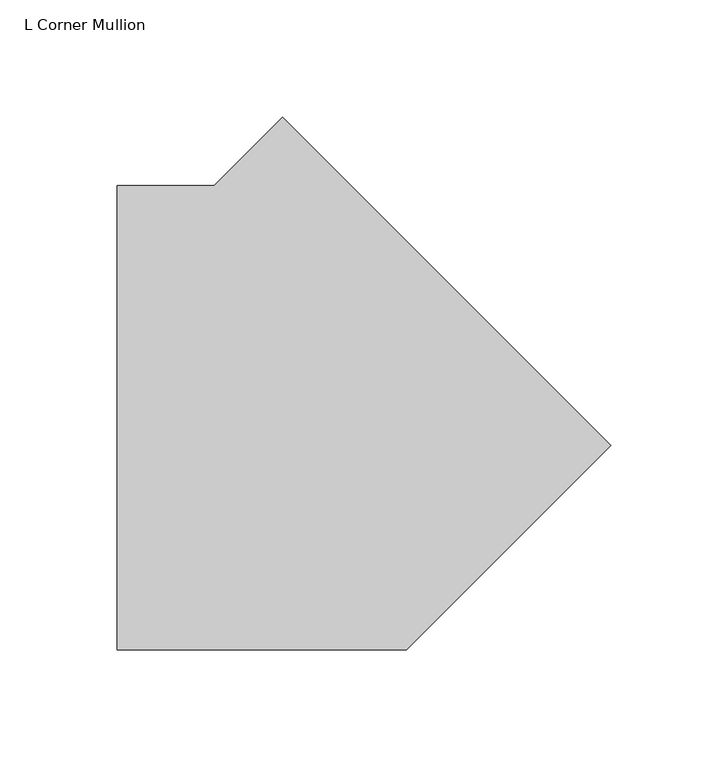
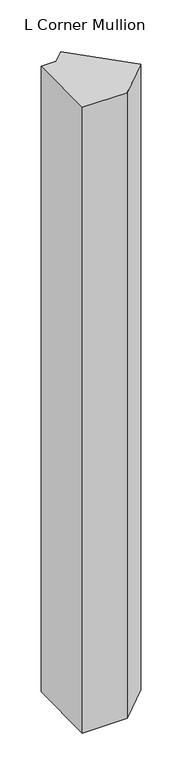
"""IFC4 building model written with IfcOpenShell, lengths in millimetres: member geometry, L Corner Mullion."""

import ifcopenshell
import ifcopenshell.guid

model = None  # the IFC model being written
_history = None  # IfcOwnerHistory: only IFC2X3 demands one
_inside = {}  # id of a spatial element -> (the spatial element, [elements in it])
_under = {}  # id of a project, library or spatial element -> (it, [spatial elements below it])
_declared = {}  # id of a project -> (the project, [libraries it declares])
_typed = {}  # id of a type object -> (the type object, [elements of that type])
_made_of = {}  # id of a material, layer set ... -> (it, [elements and type objects made of it])


def new_model(schema):
    """Start an empty IFC model of exactly this schema.

    Asked for "IFC4X3", IfcOpenShell would pick the latest addendum, in which some entities
    have other attributes; the version numbers below select the first issue.
    IFC2X3 requires an IfcOwnerHistory on every rooted entity: one is made here for all.
    """
    global model, _history
    if schema == "IFC4X3":
        model = ifcopenshell.file(schema_version=(4, 3, 0, 0))
    else:
        model = ifcopenshell.file(schema=schema)
    _inside.clear()
    _under.clear()
    _declared.clear()
    _typed.clear()
    _made_of.clear()
    _history = None
    if model.schema == "IFC2X3":
        org = make("IfcOrganization", Name="unknown")
        user = make(
            "IfcPersonAndOrganization",
            ThePerson=make("IfcPerson", FamilyName="unknown"),
            TheOrganization=org,
        )
        app = make(
            "IfcApplication",
            ApplicationDeveloper=org,
            Version="unknown",
            ApplicationFullName="unknown",
            ApplicationIdentifier="unknown",
        )
        _history = make(
            "IfcOwnerHistory",
            OwningUser=user,
            OwningApplication=app,
            ChangeAction="ADDED",
            CreationDate=0,
        )
    return model


def make(cls, **values):
    """One entity of the class cls with the attributes given. An attribute that is None is left unset."""
    return model.create_entity(
        cls, **{name: value for name, value in values.items() if value is not None}
    )


def rooted(cls, **values):
    """An entity with a GlobalId (a new one), such as an element, a storey or a relation."""
    return make(cls, GlobalId=ifcopenshell.guid.new(), OwnerHistory=_history, **values)


def si_unit(unit_type, name, prefix=None):
    """IfcSIUnit, for example si_unit("LENGTHUNIT", "METRE", prefix="MILLI")."""
    return make("IfcSIUnit", UnitType=unit_type, Prefix=prefix, Name=name)


def assignment(units):
    """IfcUnitAssignment: the units of a project."""
    return None if units is None else make("IfcUnitAssignment", Units=units)


def point(xyz):
    """IfcCartesianPoint."""
    return None if xyz is None else make("IfcCartesianPoint", Coordinates=xyz)


def direction(xyz):
    """IfcDirection."""
    return None if xyz is None else make("IfcDirection", DirectionRatios=xyz)


def frame(location, z_axis=None, x_axis=None):
    """IfcAxis2Placement3D, a coordinate frame: its origin and axes. An axis left out is left unset."""
    return make(
        "IfcAxis2Placement3D",
        Location=point(location),
        Axis=direction(z_axis),
        RefDirection=direction(x_axis),
    )


def origin():
    """The frame at (0, 0, 0) with its axes left unset."""
    return frame((0.0, 0.0, 0.0))


def place(relative_to, where):
    """IfcLocalPlacement: puts the frame where relative to a parent placement (None: the world)."""
    return make(
        "IfcLocalPlacement", PlacementRelTo=relative_to, RelativePlacement=where
    )


def context(
    kind, dimensions, precision=None, world=None, true_north=None, identifier=None
):
    """IfcGeometricRepresentationContext, for example the 3D "Model" context."""
    return make(
        "IfcGeometricRepresentationContext",
        ContextIdentifier=identifier,
        ContextType=kind,
        CoordinateSpaceDimension=dimensions,
        Precision=precision,
        WorldCoordinateSystem=world,
        TrueNorth=true_north,
    )


def project(units=None, contexts=None):
    """IfcProject with its units and contexts."""
    return rooted(
        "IfcProject",
        Name="project",
        RepresentationContexts=contexts,
        UnitsInContext=assignment(units),
    )


def spatial(cls, under=None, at=None, **own):
    """A site, building, storey or space (cls), placed at a placement, below another one or the project."""
    s = rooted(cls, ObjectPlacement=at, **own)
    if under is not None:
        _under.setdefault(under.id(), (under, []))[1].append(s)
    return s


def polyline(points):
    """IfcPolyline through the points."""
    return make("IfcPolyline", Points=[point(p) for p in points])


def outline(outer, holes=None, kind="AREA"):
    """IfcArbitraryClosedProfileDef: a profile drawn as a closed curve; with holes, ...WithVoids."""
    if holes is None:
        return make("IfcArbitraryClosedProfileDef", ProfileType=kind, OuterCurve=outer)
    return make(
        "IfcArbitraryProfileDefWithVoids",
        ProfileType=kind,
        OuterCurve=outer,
        InnerCurves=holes,
    )


def extrude(swept, where, along, depth):
    """IfcExtrudedAreaSolid: the profile swept, set in the frame where, extruded along a direction by depth."""
    return make(
        "IfcExtrudedAreaSolid",
        SweptArea=swept,
        Position=where,
        ExtrudedDirection=direction(along),
        Depth=depth,
    )


def shape(context_of_items, identifier, shape_type, items):
    """IfcShapeRepresentation: the items that make up one representation, for example the "Body"."""
    return make(
        "IfcShapeRepresentation",
        ContextOfItems=context_of_items,
        RepresentationIdentifier=identifier,
        RepresentationType=shape_type,
        Items=items,
    )


def source(mapping_origin, context_of_items, identifier, shape_type, items):
    """IfcRepresentationMap: a shape defined once, which mapped items show again and again."""
    return make(
        "IfcRepresentationMap",
        MappingOrigin=mapping_origin,
        MappedRepresentation=shape(context_of_items, identifier, shape_type, items),
    )


def transform(
    local_origin,
    x_axis=None,
    y_axis=None,
    z_axis=None,
    scale=None,
    scale2=None,
    scale3=None,
    uniform=True,
):
    """IfcCartesianTransformationOperator3D, or its non-uniform kind. x_axis, y_axis, z_axis: its Axis1, 2, 3."""
    if uniform:
        return make(
            "IfcCartesianTransformationOperator3D",
            Axis1=direction(x_axis),
            Axis2=direction(y_axis),
            LocalOrigin=point(local_origin),
            Scale=scale,
            Axis3=direction(z_axis),
        )
    return make(
        "IfcCartesianTransformationOperator3DnonUniform",
        Axis1=direction(x_axis),
        Axis2=direction(y_axis),
        LocalOrigin=point(local_origin),
        Scale=scale,
        Axis3=direction(z_axis),
        Scale2=scale2,
        Scale3=scale3,
    )


def mapped(mapping_source, mapping_target):
    """IfcMappedItem: shows the shape of a source again, moved by a transform."""
    return make(
        "IfcMappedItem", MappingSource=mapping_source, MappingTarget=mapping_target
    )


def made_of(thing, what):
    """Note that an element or type object is made of a material, layer set ...; save() writes the relation."""
    if what is not None:
        _made_of.setdefault(what.id(), (what, []))[1].append(thing)
    return thing


def element(
    cls,
    number,
    at=None,
    inside=None,
    cuts=None,
    type_object=None,
    material=None,
    context=None,
    identifier="Body",
    shape_type=None,
    held_by="IfcProductDefinitionShape",
    body=None,
    shapes=None,
    **own,
):
    """One element of the class cls, such as IfcWall. Its Tag is "e" and its number.

    at: its placement. inside: the storey or other place that contains it. cuts: it is an
    opening in that element (IfcRelVoidsElement). A single representation is given by context,
    identifier, shape_type and body (its items); several are given by shapes. held_by: the class
    of the entity that holds the representations. save() writes the other relations.
    """
    e = rooted(cls, Tag="e%d" % number, ObjectPlacement=at, **own)
    if body is not None:
        shapes = [shape(context, identifier, shape_type, body)]
    if shapes is not None:
        e.Representation = make(held_by, Representations=shapes)
    if inside is not None:
        _inside.setdefault(inside.id(), (inside, []))[1].append(e)
    if cuts is not None:
        rooted(
            "IfcRelVoidsElement", RelatingBuildingElement=cuts, RelatedOpeningElement=e
        )
    if type_object is not None:
        _typed.setdefault(type_object.id(), (type_object, []))[1].append(e)
    return made_of(e, material)


def aggregate(whole, parts):
    """IfcRelAggregates: a whole, such as a stair, and the parts it consists of."""
    return rooted("IfcRelAggregates", RelatingObject=whole, RelatedObjects=parts)


def save(model, path):
    """Write the relations noted so far, then the file.

    IfcRelAggregates (storeys below a building ...), IfcRelContainedInSpatialStructure (elements
    in a storey), IfcRelDefinesByType, IfcRelAssociatesMaterial and IfcRelDeclares: one each for
    every whole, place, type object, material and project.
    """
    for whole, parts in _under.values():
        aggregate(whole, parts)
    for where, things in _inside.values():
        rooted(
            "IfcRelContainedInSpatialStructure",
            RelatedElements=things,
            RelatingStructure=where,
        )
    for kind, things in _typed.values():
        rooted("IfcRelDefinesByType", RelatedObjects=things, RelatingType=kind)
    for what, things in _made_of.values():
        rooted("IfcRelAssociatesMaterial", RelatedObjects=things, RelatingMaterial=what)
    for by, libraries in _declared.values():
        rooted("IfcRelDeclares", RelatingContext=by, RelatedDefinitions=libraries)
    model.write(path)


def l_corner_mullion_ffae0b40(model_context):
    return source(origin(), model_context, "Body", "SweptSolid", [
        extrude(outline(polyline([(152.2022208, -68.9365862), (64.770057, -156.36875), (-58.8776949, -156.36875), (-58.8776949, 42.06875), (-17.4254468, 42.06875), (11.8857189, 71.3799157), (152.2022208, -68.9365862)])), frame((0.0, 0.0, -1828.8), z_axis=(0.0, 0.0, 1.0), x_axis=(1.0, 0.0, 0.0)), (0.0, 0.0, 1.0), 1828.8),
    ])


if __name__ == "__main__":
    model = new_model("IFC4")
    model_context = context("Model", 3, world=origin())
    ifc_project = project(units=[si_unit("LENGTHUNIT", "METRE", prefix="MILLI")], contexts=[model_context])
    site = spatial("IfcSite", under=ifc_project)
    building = spatial("IfcBuilding", under=site)
    placement = place(None, origin())
    l_corner_mullion_shape = l_corner_mullion_ffae0b40(model_context)
    element("IfcMember", 1, ObjectType="L Corner Mullion", at=placement, inside=building, context=model_context, shape_type="MappedRepresentation", body=[
        mapped(l_corner_mullion_shape, transform((0.0, 0.0, 0.0), x_axis=(1.0, 0.0, 0.0), y_axis=(0.0, 1.0, 0.0), z_axis=(0.0, 0.0, 1.0))),
    ])
    save(model, "model.ifc")
